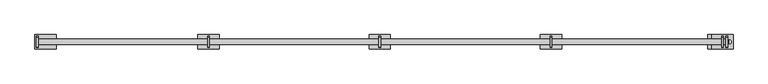
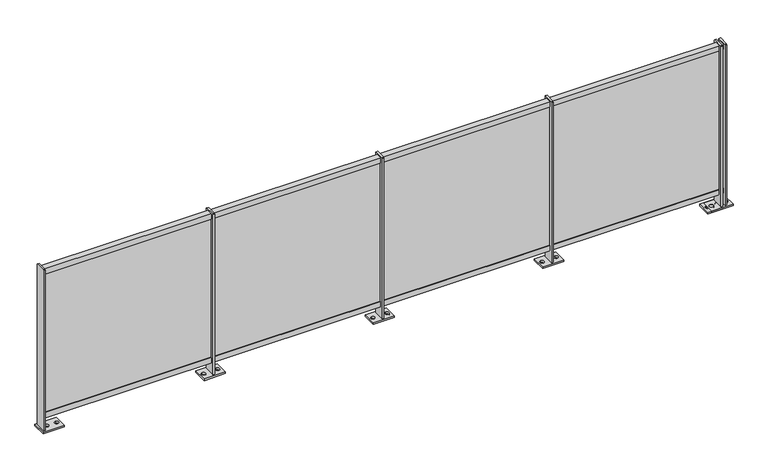
"""IFC4 building model written with IfcOpenShell, lengths in millimetres: railing geometry."""

import ifcopenshell
import ifcopenshell.guid

model = None  # the IFC model being written
_history = None  # IfcOwnerHistory: only IFC2X3 demands one
_inside = {}  # id of a spatial element -> (the spatial element, [elements in it])
_under = {}  # id of a project, library or spatial element -> (it, [spatial elements below it])
_declared = {}  # id of a project -> (the project, [libraries it declares])
_typed = {}  # id of a type object -> (the type object, [elements of that type])
_made_of = {}  # id of a material, layer set ... -> (it, [elements and type objects made of it])


def new_model(schema):
    """Start an empty IFC model of exactly this schema.

    Asked for "IFC4X3", IfcOpenShell would pick the latest addendum, in which some entities
    have other attributes; the version numbers below select the first issue.
    IFC2X3 requires an IfcOwnerHistory on every rooted entity: one is made here for all.
    """
    global model, _history
    if schema == "IFC4X3":
        model = ifcopenshell.file(schema_version=(4, 3, 0, 0))
    else:
        model = ifcopenshell.file(schema=schema)
    _inside.clear()
    _under.clear()
    _declared.clear()
    _typed.clear()
    _made_of.clear()
    _history = None
    if model.schema == "IFC2X3":
        org = make("IfcOrganization", Name="unknown")
        user = make(
            "IfcPersonAndOrganization",
            ThePerson=make("IfcPerson", FamilyName="unknown"),
            TheOrganization=org,
        )
        app = make(
            "IfcApplication",
            ApplicationDeveloper=org,
            Version="unknown",
            ApplicationFullName="unknown",
            ApplicationIdentifier="unknown",
        )
        _history = make(
            "IfcOwnerHistory",
            OwningUser=user,
            OwningApplication=app,
            ChangeAction="ADDED",
            CreationDate=0,
        )
    return model


def make(cls, **values):
    """One entity of the class cls with the attributes given. An attribute that is None is left unset."""
    return model.create_entity(
        cls, **{name: value for name, value in values.items() if value is not None}
    )


def rooted(cls, **values):
    """An entity with a GlobalId (a new one), such as an element, a storey or a relation."""
    return make(cls, GlobalId=ifcopenshell.guid.new(), OwnerHistory=_history, **values)


def si_unit(unit_type, name, prefix=None):
    """IfcSIUnit, for example si_unit("LENGTHUNIT", "METRE", prefix="MILLI")."""
    return make("IfcSIUnit", UnitType=unit_type, Prefix=prefix, Name=name)


def assignment(units):
    """IfcUnitAssignment: the units of a project."""
    return None if units is None else make("IfcUnitAssignment", Units=units)


def point(xyz):
    """IfcCartesianPoint."""
    return None if xyz is None else make("IfcCartesianPoint", Coordinates=xyz)


def direction(xyz):
    """IfcDirection."""
    return None if xyz is None else make("IfcDirection", DirectionRatios=xyz)


def frame(location, z_axis=None, x_axis=None):
    """IfcAxis2Placement3D, a coordinate frame: its origin and axes. An axis left out is left unset."""
    return make(
        "IfcAxis2Placement3D",
        Location=point(location),
        Axis=direction(z_axis),
        RefDirection=direction(x_axis),
    )


def frame_2d(location, x_axis=None):
    """IfcAxis2Placement2D, a coordinate frame in the plane: its origin and x axis."""
    return make(
        "IfcAxis2Placement2D", Location=point(location), RefDirection=direction(x_axis)
    )


def origin():
    """The frame at (0, 0, 0) with its axes left unset."""
    return frame((0.0, 0.0, 0.0))


def origin_with_axes():
    """The frame at (0, 0, 0) with the z axis (0, 0, 1) and the x axis (1, 0, 0) written out."""
    return frame((0.0, 0.0, 0.0), z_axis=(0.0, 0.0, 1.0), x_axis=(1.0, 0.0, 0.0))


def place(relative_to, where):
    """IfcLocalPlacement: puts the frame where relative to a parent placement (None: the world)."""
    return make(
        "IfcLocalPlacement", PlacementRelTo=relative_to, RelativePlacement=where
    )


def context(
    kind, dimensions, precision=None, world=None, true_north=None, identifier=None
):
    """IfcGeometricRepresentationContext, for example the 3D "Model" context."""
    return make(
        "IfcGeometricRepresentationContext",
        ContextIdentifier=identifier,
        ContextType=kind,
        CoordinateSpaceDimension=dimensions,
        Precision=precision,
        WorldCoordinateSystem=world,
        TrueNorth=true_north,
    )


def project(units=None, contexts=None):
    """IfcProject with its units and contexts."""
    return rooted(
        "IfcProject",
        Name="project",
        RepresentationContexts=contexts,
        UnitsInContext=assignment(units),
    )


def spatial(cls, under=None, at=None, **own):
    """A site, building, storey or space (cls), placed at a placement, below another one or the project."""
    s = rooted(cls, ObjectPlacement=at, **own)
    if under is not None:
        _under.setdefault(under.id(), (under, []))[1].append(s)
    return s


def polyline(points):
    """IfcPolyline through the points."""
    return make("IfcPolyline", Points=[point(p) for p in points])


def circle_curve(where, radius):
    """IfcCircle in the frame where."""
    return make("IfcCircle", Position=where, Radius=radius)


def trimmed(basis, trim1, trim2, sense, master):
    """IfcTrimmedCurve: the piece of a basis curve between two trims."""
    return make(
        "IfcTrimmedCurve",
        BasisCurve=basis,
        Trim1=trim1,
        Trim2=trim2,
        SenseAgreement=sense,
        MasterRepresentation=master,
    )


def segment(curve, same_sense, transition):
    """IfcCompositeCurveSegment."""
    return make(
        "IfcCompositeCurveSegment",
        Transition=transition,
        SameSense=same_sense,
        ParentCurve=curve,
    )


def composite_curve(segments, self_intersect=None):
    """IfcCompositeCurve: segments joined end to end."""
    return make("IfcCompositeCurve", Segments=segments, SelfIntersect=self_intersect)


def outline(outer, holes=None, kind="AREA"):
    """IfcArbitraryClosedProfileDef: a profile drawn as a closed curve; with holes, ...WithVoids."""
    if holes is None:
        return make("IfcArbitraryClosedProfileDef", ProfileType=kind, OuterCurve=outer)
    return make(
        "IfcArbitraryProfileDefWithVoids",
        ProfileType=kind,
        OuterCurve=outer,
        InnerCurves=holes,
    )


def extrude(swept, where, along, depth):
    """IfcExtrudedAreaSolid: the profile swept, set in the frame where, extruded along a direction by depth."""
    return make(
        "IfcExtrudedAreaSolid",
        SweptArea=swept,
        Position=where,
        ExtrudedDirection=direction(along),
        Depth=depth,
    )


def shape(context_of_items, identifier, shape_type, items):
    """IfcShapeRepresentation: the items that make up one representation, for example the "Body"."""
    return make(
        "IfcShapeRepresentation",
        ContextOfItems=context_of_items,
        RepresentationIdentifier=identifier,
        RepresentationType=shape_type,
        Items=items,
    )


def source(mapping_origin, context_of_items, identifier, shape_type, items):
    """IfcRepresentationMap: a shape defined once, which mapped items show again and again."""
    return make(
        "IfcRepresentationMap",
        MappingOrigin=mapping_origin,
        MappedRepresentation=shape(context_of_items, identifier, shape_type, items),
    )


def transform(
    local_origin,
    x_axis=None,
    y_axis=None,
    z_axis=None,
    scale=None,
    scale2=None,
    scale3=None,
    uniform=True,
):
    """IfcCartesianTransformationOperator3D, or its non-uniform kind. x_axis, y_axis, z_axis: its Axis1, 2, 3."""
    if uniform:
        return make(
            "IfcCartesianTransformationOperator3D",
            Axis1=direction(x_axis),
            Axis2=direction(y_axis),
            LocalOrigin=point(local_origin),
            Scale=scale,
            Axis3=direction(z_axis),
        )
    return make(
        "IfcCartesianTransformationOperator3DnonUniform",
        Axis1=direction(x_axis),
        Axis2=direction(y_axis),
        LocalOrigin=point(local_origin),
        Scale=scale,
        Axis3=direction(z_axis),
        Scale2=scale2,
        Scale3=scale3,
    )


def mapped(mapping_source, mapping_target):
    """IfcMappedItem: shows the shape of a source again, moved by a transform."""
    return make(
        "IfcMappedItem", MappingSource=mapping_source, MappingTarget=mapping_target
    )


def made_of(thing, what):
    """Note that an element or type object is made of a material, layer set ...; save() writes the relation."""
    if what is not None:
        _made_of.setdefault(what.id(), (what, []))[1].append(thing)
    return thing


def element(
    cls,
    number,
    at=None,
    inside=None,
    cuts=None,
    type_object=None,
    material=None,
    context=None,
    identifier="Body",
    shape_type=None,
    held_by="IfcProductDefinitionShape",
    body=None,
    shapes=None,
    **own,
):
    """One element of the class cls, such as IfcWall. Its Tag is "e" and its number.

    at: its placement. inside: the storey or other place that contains it. cuts: it is an
    opening in that element (IfcRelVoidsElement). A single representation is given by context,
    identifier, shape_type and body (its items); several are given by shapes. held_by: the class
    of the entity that holds the representations. save() writes the other relations.
    """
    e = rooted(cls, Tag="e%d" % number, ObjectPlacement=at, **own)
    if body is not None:
        shapes = [shape(context, identifier, shape_type, body)]
    if shapes is not None:
        e.Representation = make(held_by, Representations=shapes)
    if inside is not None:
        _inside.setdefault(inside.id(), (inside, []))[1].append(e)
    if cuts is not None:
        rooted(
            "IfcRelVoidsElement", RelatingBuildingElement=cuts, RelatedOpeningElement=e
        )
    if type_object is not None:
        _typed.setdefault(type_object.id(), (type_object, []))[1].append(e)
    return made_of(e, material)


def aggregate(whole, parts):
    """IfcRelAggregates: a whole, such as a stair, and the parts it consists of."""
    return rooted("IfcRelAggregates", RelatingObject=whole, RelatedObjects=parts)


def save(model, path):
    """Write the relations noted so far, then the file.

    IfcRelAggregates (storeys below a building ...), IfcRelContainedInSpatialStructure (elements
    in a storey), IfcRelDefinesByType, IfcRelAssociatesMaterial and IfcRelDeclares: one each for
    every whole, place, type object, material and project.
    """
    for whole, parts in _under.values():
        aggregate(whole, parts)
    for where, things in _inside.values():
        rooted(
            "IfcRelContainedInSpatialStructure",
            RelatedElements=things,
            RelatingStructure=where,
        )
    for kind, things in _typed.values():
        rooted("IfcRelDefinesByType", RelatedObjects=things, RelatingType=kind)
    for what, things in _made_of.values():
        rooted("IfcRelAssociatesMaterial", RelatedObjects=things, RelatingMaterial=what)
    for by, libraries in _declared.values():
        rooted("IfcRelDeclares", RelatingContext=by, RelatedDefinitions=libraries)
    model.write(path)


def railing_b72ce051(model_context):
    return source(origin(), model_context, "Body", "SweptSolid", [
        extrude(outline(polyline([(-11661.609897, 1210.0), (-11661.609897, 1170.0), (-11683.109897, 1170.0), (-11683.109897, 1190.0), (-11699.109897, 1190.0), (-11699.109897, 1170.0), (-11701.609897, 1170.0), (-11701.609897, 1210.0), (-11661.609897, 1210.0)])), frame((9930.6479588, 0.0, 0.0), z_axis=(1.0, 0.0, 0.0), x_axis=(0.0, 1.0, 0.0)), (0.0, 0.0, 1.0), 4830.0),
        extrude(outline(polyline([(9930.6479588, -11695.609897), (9930.6479588, -11687.609897), (14760.6479588, -11687.609897), (14760.6479588, -11695.609897), (9930.6479588, -11695.609897)])), frame((0.0, 0.0, 130.0), z_axis=(0.0, 0.0, 1.0), x_axis=(1.0, 0.0, 0.0)), (0.0, 0.0, 1.0), 1040.0),
        extrude(outline(polyline([(-11661.609897, 90.0), (-11701.609897, 90.0), (-11701.609897, 130.0), (-11699.109897, 130.0), (-11699.109897, 110.0), (-11683.109897, 110.0), (-11683.109897, 130.0), (-11661.609897, 130.0), (-11661.609897, 90.0)])), frame((9930.6479588, 0.0, 0.0), z_axis=(1.0, 0.0, 0.0), x_axis=(0.0, 1.0, 0.0)), (0.0, 0.0, 1.0), 4830.0),
        extrude(outline(polyline([(14655.6479588, -11631.609897), (14805.6479588, -11631.609897), (14805.6479588, -11731.609897), (14655.6479588, -11731.609897), (14655.6479588, -11631.609897)]), holes=[composite_curve([segment(trimmed(circle_curve(frame_2d((14680.6479588, -11681.609897)), 13.5), [point((14680.6479588, -11695.109897))], [point((14680.6479588, -11668.109897))], True, "CARTESIAN"), True, "CONTINUOUS"), segment(trimmed(circle_curve(frame_2d((14680.6479588, -11681.609897)), 13.5), [point((14680.6479588, -11668.109897))], [point((14680.6479588, -11695.109897))], True, "CARTESIAN"), True, "CONTINUOUS")], self_intersect=False), composite_curve([segment(trimmed(circle_curve(frame_2d((14780.6479588, -11681.609897)), 13.5), [point((14780.6479588, -11695.109897))], [point((14780.6479588, -11668.109897))], True, "CARTESIAN"), True, "CONTINUOUS"), segment(trimmed(circle_curve(frame_2d((14780.6479588, -11681.609897)), 13.5), [point((14780.6479588, -11668.109897))], [point((14780.6479588, -11695.109897))], True, "CARTESIAN"), True, "CONTINUOUS")], self_intersect=False)]), origin_with_axes(), (0.0, 0.0, 1.0), 12.0),
        extrude(outline(polyline([(-11641.609897, 12.0), (-11721.609897, 12.0), (-11721.609897, 1215.0), (-11716.609897, 1220.0), (-11646.609897, 1220.0), (-11641.609897, 1215.0), (-11641.609897, 12.0)])), frame((14724.6479588, 0.0, 0.0), z_axis=(1.0, 0.0, 0.0), x_axis=(0.0, 1.0, 0.0)), (0.0, 0.0, 1.0), 12.0),
        extrude(outline(polyline([(13455.6479588, -11631.609897), (13605.6479588, -11631.609897), (13605.6479588, -11731.609897), (13455.6479588, -11731.609897), (13455.6479588, -11631.609897)]), holes=[composite_curve([segment(trimmed(circle_curve(frame_2d((13480.6479588, -11681.609897)), 13.5), [point((13480.6479588, -11695.109897))], [point((13480.6479588, -11668.109897))], True, "CARTESIAN"), True, "CONTINUOUS"), segment(trimmed(circle_curve(frame_2d((13480.6479588, -11681.609897)), 13.5), [point((13480.6479588, -11668.109897))], [point((13480.6479588, -11695.109897))], True, "CARTESIAN"), True, "CONTINUOUS")], self_intersect=False), composite_curve([segment(trimmed(circle_curve(frame_2d((13580.6479588, -11681.609897)), 13.5), [point((13580.6479588, -11695.109897))], [point((13580.6479588, -11668.109897))], True, "CARTESIAN"), True, "CONTINUOUS"), segment(trimmed(circle_curve(frame_2d((13580.6479588, -11681.609897)), 13.5), [point((13580.6479588, -11668.109897))], [point((13580.6479588, -11695.109897))], True, "CARTESIAN"), True, "CONTINUOUS")], self_intersect=False)]), origin_with_axes(), (0.0, 0.0, 1.0), 12.0),
        extrude(outline(polyline([(-11641.609897, 12.0), (-11721.609897, 12.0), (-11721.609897, 1215.0), (-11716.609897, 1220.0), (-11646.609897, 1220.0), (-11641.609897, 1215.0), (-11641.609897, 12.0)])), frame((13524.6479588, 0.0, 0.0), z_axis=(1.0, 0.0, 0.0), x_axis=(0.0, 1.0, 0.0)), (0.0, 0.0, 1.0), 12.0),
        extrude(outline(polyline([(12255.6479588, -11631.609897), (12405.6479588, -11631.609897), (12405.6479588, -11731.609897), (12255.6479588, -11731.609897), (12255.6479588, -11631.609897)]), holes=[composite_curve([segment(trimmed(circle_curve(frame_2d((12280.6479588, -11681.609897)), 13.5), [point((12280.6479588, -11695.109897))], [point((12280.6479588, -11668.109897))], True, "CARTESIAN"), True, "CONTINUOUS"), segment(trimmed(circle_curve(frame_2d((12280.6479588, -11681.609897)), 13.5), [point((12280.6479588, -11668.109897))], [point((12280.6479588, -11695.109897))], True, "CARTESIAN"), True, "CONTINUOUS")], self_intersect=False), composite_curve([segment(trimmed(circle_curve(frame_2d((12380.6479588, -11681.609897)), 13.5), [point((12380.6479588, -11695.109897))], [point((12380.6479588, -11668.109897))], True, "CARTESIAN"), True, "CONTINUOUS"), segment(trimmed(circle_curve(frame_2d((12380.6479588, -11681.609897)), 13.5), [point((12380.6479588, -11668.109897))], [point((12380.6479588, -11695.109897))], True, "CARTESIAN"), True, "CONTINUOUS")], self_intersect=False)]), origin_with_axes(), (0.0, 0.0, 1.0), 12.0),
        extrude(outline(polyline([(-11641.609897, 12.0), (-11721.609897, 12.0), (-11721.609897, 1215.0), (-11716.609897, 1220.0), (-11646.609897, 1220.0), (-11641.609897, 1215.0), (-11641.609897, 12.0)])), frame((12324.6479588, 0.0, 0.0), z_axis=(1.0, 0.0, 0.0), x_axis=(0.0, 1.0, 0.0)), (0.0, 0.0, 1.0), 12.0),
        extrude(outline(polyline([(11055.6479588, -11631.609897), (11205.6479588, -11631.609897), (11205.6479588, -11731.609897), (11055.6479588, -11731.609897), (11055.6479588, -11631.609897)]), holes=[composite_curve([segment(trimmed(circle_curve(frame_2d((11080.6479588, -11681.609897)), 13.5), [point((11080.6479588, -11695.109897))], [point((11080.6479588, -11668.109897))], True, "CARTESIAN"), True, "CONTINUOUS"), segment(trimmed(circle_curve(frame_2d((11080.6479588, -11681.609897)), 13.5), [point((11080.6479588, -11668.109897))], [point((11080.6479588, -11695.109897))], True, "CARTESIAN"), True, "CONTINUOUS")], self_intersect=False), composite_curve([segment(trimmed(circle_curve(frame_2d((11180.6479588, -11681.609897)), 13.5), [point((11180.6479588, -11695.109897))], [point((11180.6479588, -11668.109897))], True, "CARTESIAN"), True, "CONTINUOUS"), segment(trimmed(circle_curve(frame_2d((11180.6479588, -11681.609897)), 13.5), [point((11180.6479588, -11668.109897))], [point((11180.6479588, -11695.109897))], True, "CARTESIAN"), True, "CONTINUOUS")], self_intersect=False)]), origin_with_axes(), (0.0, 0.0, 1.0), 12.0),
        extrude(outline(polyline([(-11641.609897, 12.0), (-11721.609897, 12.0), (-11721.609897, 1215.0), (-11716.609897, 1220.0), (-11646.609897, 1220.0), (-11641.609897, 1215.0), (-11641.609897, 12.0)])), frame((11124.6479588, 0.0, 0.0), z_axis=(1.0, 0.0, 0.0), x_axis=(0.0, 1.0, 0.0)), (0.0, 0.0, 1.0), 12.0),
        extrude(outline(polyline([(14626.6479588, -11631.609897), (14776.6479588, -11631.609897), (14776.6479588, -11731.609897), (14626.6479588, -11731.609897), (14626.6479588, -11631.609897)]), holes=[composite_curve([segment(trimmed(circle_curve(frame_2d((14651.6479588, -11681.609897)), 13.5), [point((14651.6479588, -11695.109897))], [point((14651.6479588, -11668.109897))], True, "CARTESIAN"), True, "CONTINUOUS"), segment(trimmed(circle_curve(frame_2d((14651.6479588, -11681.609897)), 13.5), [point((14651.6479588, -11668.109897))], [point((14651.6479588, -11695.109897))], True, "CARTESIAN"), True, "CONTINUOUS")], self_intersect=False), composite_curve([segment(trimmed(circle_curve(frame_2d((14721.6479588, -11681.609897)), 13.5), [point((14721.6479588, -11695.109897))], [point((14721.6479588, -11668.109897))], True, "CARTESIAN"), True, "CONTINUOUS"), segment(trimmed(circle_curve(frame_2d((14721.6479588, -11681.609897)), 13.5), [point((14721.6479588, -11668.109897))], [point((14721.6479588, -11695.109897))], True, "CARTESIAN"), True, "CONTINUOUS")], self_intersect=False)]), origin_with_axes(), (0.0, 0.0, 1.0), 12.0),
        extrude(outline(polyline([(-11641.609897, 12.0), (-11721.609897, 12.0), (-11721.609897, 1215.0), (-11716.609897, 1220.0), (-11646.609897, 1220.0), (-11641.609897, 1215.0), (-11641.609897, 12.0)])), frame((14754.6479588, 0.0, 0.0), z_axis=(1.0, 0.0, 0.0), x_axis=(0.0, 1.0, 0.0)), (0.0, 0.0, 1.0), 12.0),
        extrude(outline(polyline([(9914.6479588, -11631.609897), (10064.6479588, -11631.609897), (10064.6479588, -11731.609897), (9914.6479588, -11731.609897), (9914.6479588, -11631.609897)]), holes=[composite_curve([segment(trimmed(circle_curve(frame_2d((9969.6479588, -11681.609897)), 13.5), [point((9969.6479588, -11695.109897))], [point((9969.6479588, -11668.109897))], True, "CARTESIAN"), True, "CONTINUOUS"), segment(trimmed(circle_curve(frame_2d((9969.6479588, -11681.609897)), 13.5), [point((9969.6479588, -11668.109897))], [point((9969.6479588, -11695.109897))], True, "CARTESIAN"), True, "CONTINUOUS")], self_intersect=False), composite_curve([segment(trimmed(circle_curve(frame_2d((10039.6479588, -11681.609897)), 13.5), [point((10039.6479588, -11695.109897))], [point((10039.6479588, -11668.109897))], True, "CARTESIAN"), True, "CONTINUOUS"), segment(trimmed(circle_curve(frame_2d((10039.6479588, -11681.609897)), 13.5), [point((10039.6479588, -11668.109897))], [point((10039.6479588, -11695.109897))], True, "CARTESIAN"), True, "CONTINUOUS")], self_intersect=False)]), origin_with_axes(), (0.0, 0.0, 1.0), 12.0),
        extrude(outline(polyline([(-11641.609897, 12.0), (-11721.609897, 12.0), (-11721.609897, 1215.0), (-11716.609897, 1220.0), (-11646.609897, 1220.0), (-11641.609897, 1215.0), (-11641.609897, 12.0)])), frame((9924.6479588, 0.0, 0.0), z_axis=(1.0, 0.0, 0.0), x_axis=(0.0, 1.0, 0.0)), (0.0, 0.0, 1.0), 12.0),
    ])


if __name__ == "__main__":
    model = new_model("IFC4")
    model_context = context("Model", 3, world=origin())
    ifc_project = project(units=[si_unit("LENGTHUNIT", "METRE", prefix="MILLI")], contexts=[model_context])
    site = spatial("IfcSite", under=ifc_project)
    building = spatial("IfcBuilding", under=site)
    placement = place(None, origin())
    railing_shape = railing_b72ce051(model_context)
    element("IfcRailing", 1, at=placement, inside=building, context=model_context, shape_type="MappedRepresentation", body=[
        mapped(railing_shape, transform((0.0, 0.0, 0.0), x_axis=(1.0, 0.0, 0.0), y_axis=(0.0, 1.0, 0.0), z_axis=(0.0, 0.0, 1.0))),
    ])
    save(model, "model.ifc")
